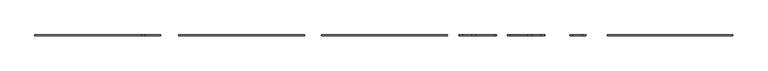
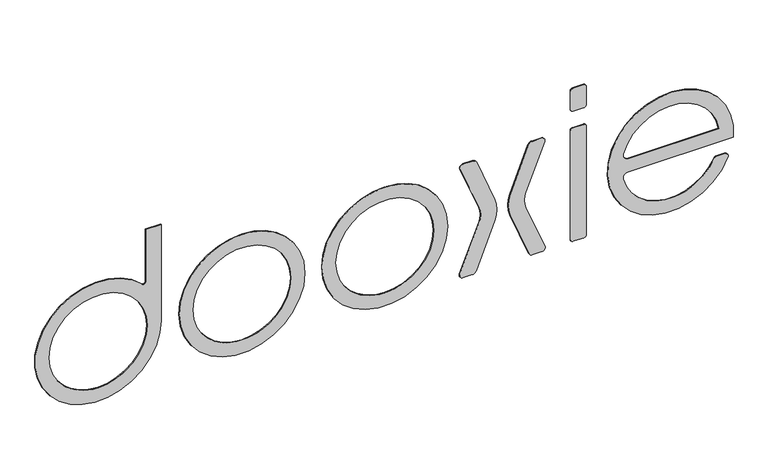
"""IFC4 building model written with IfcOpenShell, lengths in millimetres: proxy geometry."""

from ifc_helpers import new_model, si_unit, point, frame, frame_2d, origin, place, context, project, spatial, polyline, circle_curve, trimmed, segment, composite_curve, outline, extrude, source, transform, mapped, element, save


def generic_models_65ccd755(model_context):
    return source(origin(), model_context, "Body", "SweptSolid", [
        extrude(outline(composite_curve([segment(polyline([(456.6775321, 953.0453315), (1185.2763588, 953.0453315), (1185.2763588, 841.1947983), (791.8118304, 841.1947983)]), True, "CONTINUOUS"), segment(trimmed(circle_curve(frame_2d((791.8118304, 826.1947983)), 15.0), [point((791.8118304, 841.1947983))], [point((781.043133, 815.7528082))], True, "CARTESIAN"), True, "CONTINUOUS"), segment(trimmed(circle_curve(frame_2d((456.6775321, 501.2280109)), 451.8173206), [point((781.043133, 815.7528082))], [point((456.6775321, 953.0453315))], False, "CARTESIAN"), True, "CONTINUOUS")], self_intersect=False), holes=[composite_curve([segment(trimmed(circle_curve(frame_2d((456.6775321, 501.2280109)), 350.0), [point((456.6775321, 151.2280109))], [point((456.6775321, 851.2280109))], True, "CARTESIAN"), True, "CONTINUOUS"), segment(trimmed(circle_curve(frame_2d((456.6775321, 501.2280109)), 350.0), [point((456.6775321, 851.2280109))], [point((456.6775321, 151.2280109))], True, "CARTESIAN"), True, "CONTINUOUS")], self_intersect=False)]), frame((0.0, 161.9662284, 0.0), z_axis=(0.0, 1.0, 0.0), x_axis=(0.0, 0.0, 1.0)), (0.0, 0.0, 1.0), 5.0),
        extrude(outline(composite_curve([segment(trimmed(circle_curve(frame_2d((456.6775321, 1531.2280109)), 450.0), [point((456.6775321, 1081.2280109))], [point((456.6775321, 1981.2280109))], False, "CARTESIAN"), True, "CONTINUOUS"), segment(trimmed(circle_curve(frame_2d((456.6775321, 1531.2280109)), 450.0), [point((456.6775321, 1981.2280109))], [point((456.6775321, 1081.2280109))], False, "CARTESIAN"), True, "CONTINUOUS")], self_intersect=False), holes=[composite_curve([segment(trimmed(circle_curve(frame_2d((456.6775321, 1531.2280109)), 350.0), [point((456.6775321, 1181.2280109))], [point((456.6775321, 1881.2280109))], True, "CARTESIAN"), True, "CONTINUOUS"), segment(trimmed(circle_curve(frame_2d((456.6775321, 1531.2280109)), 350.0), [point((456.6775321, 1881.2280109))], [point((456.6775321, 1181.2280109))], True, "CARTESIAN"), True, "CONTINUOUS")], self_intersect=False)]), frame((0.0, 161.9662284, 0.0), z_axis=(0.0, 1.0, 0.0), x_axis=(0.0, 0.0, 1.0)), (0.0, 0.0, 1.0), 5.0),
        extrude(outline(composite_curve([segment(trimmed(circle_curve(frame_2d((456.6775321, 2553.7280109)), 450.0), [point((456.6775321, 2103.7280109))], [point((456.6775321, 3003.7280109))], False, "CARTESIAN"), True, "CONTINUOUS"), segment(trimmed(circle_curve(frame_2d((456.6775321, 2553.7280109)), 450.0), [point((456.6775321, 3003.7280109))], [point((456.6775321, 2103.7280109))], False, "CARTESIAN"), True, "CONTINUOUS")], self_intersect=False), holes=[composite_curve([segment(trimmed(circle_curve(frame_2d((456.6775321, 2553.7280109)), 350.0), [point((456.6775321, 2203.7280109))], [point((456.6775321, 2903.7280109))], True, "CARTESIAN"), True, "CONTINUOUS"), segment(trimmed(circle_curve(frame_2d((456.6775321, 2553.7280109)), 350.0), [point((456.6775321, 2903.7280109))], [point((456.6775321, 2203.7280109))], True, "CARTESIAN"), True, "CONTINUOUS")], self_intersect=False)]), frame((0.0, 161.9662284, 0.0), z_axis=(0.0, 1.0, 0.0), x_axis=(0.0, 0.0, 1.0)), (0.0, 0.0, 1.0), 5.0),
        extrude(outline(composite_curve([segment(trimmed(circle_curve(frame_2d((458.4896845, 3083.7701945)), 155.0), [point((516.4508708, 3227.5251975))], [point((400.5284982, 3227.5251975))], True, "CARTESIAN"), True, "CONTINUOUS"), segment(polyline([(400.5284982, 3227.5251975), (60.1870145, 3090.3014784)]), True, "CONTINUOUS"), segment(trimmed(circle_curve(frame_2d((50.838436, 3113.4877692)), 25.0), [point((60.1870145, 3090.3014784))], [point((25.838436, 3113.4877692))], False, "CARTESIAN"), True, "CONTINUOUS"), segment(polyline([(25.838436, 3113.4877692), (25.838436, 3179.5319197)]), True, "CONTINUOUS"), segment(trimmed(circle_curve(frame_2d((55.838436, 3179.5319197)), 30.0), [point((25.838436, 3179.5319197))], [point((44.8148495, 3207.4331838))], False, "CARTESIAN"), True, "CONTINUOUS"), segment(polyline([(44.8148495, 3207.4331838), (379.5508858, 3339.6849571)]), True, "CONTINUOUS"), segment(trimmed(circle_curve(frame_2d((458.5532559, 3139.7258975)), 215.0), [point((379.5508858, 3339.6849571))], [point((537.555626, 3339.6849571))], False, "CARTESIAN"), True, "CONTINUOUS"), segment(polyline([(537.555626, 3339.6849571), (865.9640338, 3209.9331838)]), True, "CONTINUOUS"), segment(trimmed(circle_curve(frame_2d((854.9404473, 3182.0319197)), 30.0), [point((865.9640338, 3209.9331838))], [point((884.9404473, 3182.0319197))], False, "CARTESIAN"), True, "CONTINUOUS"), segment(polyline([(884.9404473, 3182.0319197), (884.9404473, 3115.9877692)]), True, "CONTINUOUS"), segment(trimmed(circle_curve(frame_2d((859.9404473, 3115.9877692)), 25.0), [point((884.9404473, 3115.9877692))], [point((850.5918688, 3092.8014784))], False, "CARTESIAN"), True, "CONTINUOUS"), segment(polyline([(850.5918688, 3092.8014784), (516.4508708, 3227.5251975)]), True, "CONTINUOUS")], self_intersect=False)), frame((0.0, 161.9662284, 0.0), z_axis=(0.0, 1.0, 0.0), x_axis=(0.0, 0.0, 1.0)), (0.0, 0.0, 1.0), 5.0),
        extrude(outline(composite_curve([segment(polyline([(516.4508708, 3562.8614381), (850.5918688, 3697.5851572)]), True, "CONTINUOUS"), segment(trimmed(circle_curve(frame_2d((859.9404473, 3674.3988664)), 25.0), [point((850.5918688, 3697.5851572))], [point((884.9404473, 3674.3988664))], False, "CARTESIAN"), True, "CONTINUOUS"), segment(polyline([(884.9404473, 3674.3988664), (884.9404473, 3608.3547159)]), True, "CONTINUOUS"), segment(trimmed(circle_curve(frame_2d((854.9404473, 3608.3547159)), 30.0), [point((884.9404473, 3608.3547159))], [point((865.9640338, 3580.4534518))], False, "CARTESIAN"), True, "CONTINUOUS"), segment(polyline([(865.9640338, 3580.4534518), (537.555626, 3450.7016785)]), True, "CONTINUOUS"), segment(trimmed(circle_curve(frame_2d((458.5532559, 3650.6607381)), 215.0), [point((537.555626, 3450.7016785))], [point((379.5508858, 3450.7016785))], False, "CARTESIAN"), True, "CONTINUOUS"), segment(polyline([(379.5508858, 3450.7016785), (44.8148495, 3582.9534518)]), True, "CONTINUOUS"), segment(trimmed(circle_curve(frame_2d((55.838436, 3610.8547159)), 30.0), [point((44.8148495, 3582.9534518))], [point((25.838436, 3610.8547159))], False, "CARTESIAN"), True, "CONTINUOUS"), segment(polyline([(25.838436, 3610.8547159), (25.838436, 3676.8988664)]), True, "CONTINUOUS"), segment(trimmed(circle_curve(frame_2d((50.838436, 3676.8988664)), 25.0), [point((25.838436, 3676.8988664))], [point((60.1870145, 3700.0851572))], False, "CARTESIAN"), True, "CONTINUOUS"), segment(polyline([(60.1870145, 3700.0851572), (400.5284982, 3562.8614381)]), True, "CONTINUOUS"), segment(trimmed(circle_curve(frame_2d((458.4896845, 3706.6164411)), 155.0), [point((400.5284982, 3562.8614381))], [point((516.4508708, 3562.8614381))], True, "CARTESIAN"), True, "CONTINUOUS")], self_intersect=False)), frame((0.0, 161.9662284, 0.0), z_axis=(0.0, 1.0, 0.0), x_axis=(0.0, 0.0, 1.0)), (0.0, 0.0, 1.0), 5.0),
        extrude(outline(composite_curve([segment(trimmed(circle_curve(frame_2d((45.838436, 3976.0087785)), 20.0), [point((25.838436, 3976.0087785))], [point((45.838436, 3996.0087785))], False, "CARTESIAN"), True, "CONTINUOUS"), segment(polyline([(45.838436, 3996.0087785), (864.9404473, 3996.0087785)]), True, "CONTINUOUS"), segment(trimmed(circle_curve(frame_2d((864.9404473, 3976.0087785)), 20.0), [point((864.9404473, 3996.0087785))], [point((884.9404473, 3976.0087785))], False, "CARTESIAN"), True, "CONTINUOUS"), segment(polyline([(884.9404473, 3976.0087785), (884.9404473, 3902.2026605)]), True, "CONTINUOUS"), segment(trimmed(circle_curve(frame_2d((864.9404473, 3902.2026605)), 20.0), [point((884.9404473, 3902.2026605))], [point((864.9404473, 3882.2026605))], False, "CARTESIAN"), True, "CONTINUOUS"), segment(polyline([(864.9404473, 3882.2026605), (45.838436, 3882.2026605)]), True, "CONTINUOUS"), segment(trimmed(circle_curve(frame_2d((45.838436, 3902.2026605)), 20.0), [point((45.838436, 3882.2026605))], [point((25.838436, 3902.2026605))], False, "CARTESIAN"), True, "CONTINUOUS"), segment(polyline([(25.838436, 3902.2026605), (25.838436, 3976.0087785)]), True, "CONTINUOUS")], self_intersect=False)), frame((0.0, 161.9662284, 0.0), z_axis=(0.0, 1.0, 0.0), x_axis=(0.0, 0.0, 1.0)), (0.0, 0.0, 1.0), 5.0),
        extrude(outline(composite_curve([segment(trimmed(circle_curve(frame_2d((1030.838436, 3976.0087785)), 20.0), [point((1010.838436, 3976.0087785))], [point((1030.838436, 3996.0087785))], False, "CARTESIAN"), True, "CONTINUOUS"), segment(polyline([(1030.838436, 3996.0087785), (1164.9404473, 3996.0087785)]), True, "CONTINUOUS"), segment(trimmed(circle_curve(frame_2d((1164.9404473, 3976.0087785)), 20.0), [point((1164.9404473, 3996.0087785))], [point((1184.9404473, 3976.0087785))], False, "CARTESIAN"), True, "CONTINUOUS"), segment(polyline([(1184.9404473, 3976.0087785), (1184.9404473, 3902.2026605)]), True, "CONTINUOUS"), segment(trimmed(circle_curve(frame_2d((1164.9404473, 3902.2026605)), 20.0), [point((1184.9404473, 3902.2026605))], [point((1164.9404473, 3882.2026605))], False, "CARTESIAN"), True, "CONTINUOUS"), segment(polyline([(1164.9404473, 3882.2026605), (1030.838436, 3882.2026605)]), True, "CONTINUOUS"), segment(trimmed(circle_curve(frame_2d((1030.838436, 3902.2026605)), 20.0), [point((1030.838436, 3882.2026605))], [point((1010.838436, 3902.2026605))], False, "CARTESIAN"), True, "CONTINUOUS"), segment(polyline([(1010.838436, 3902.2026605), (1010.838436, 3976.0087785)]), True, "CONTINUOUS")], self_intersect=False)), frame((0.0, 161.9662284, 0.0), z_axis=(0.0, 1.0, 0.0), x_axis=(0.0, 0.0, 1.0)), (0.0, 0.0, 1.0), 5.0),
        extrude(outline(composite_curve([segment(polyline([(413.6722995, 4293.5392436), (413.6722995, 5046.6683529)]), True, "CONTINUOUS"), segment(trimmed(circle_curve(frame_2d((456.6775321, 4598.7280109)), 450.0), [point((413.6722995, 5046.6683529))], [point((273.5883353, 5009.797769))], False, "CARTESIAN"), True, "CONTINUOUS"), segment(trimmed(circle_curve(frame_2d((283.7599573, 4986.9605602)), 25.0), [point((273.5883353, 5009.797769))], [point((308.7599573, 4986.9605602))], False, "CARTESIAN"), True, "CONTINUOUS"), segment(polyline([(308.7599573, 4986.9605602), (308.7599573, 4922.2431413)]), True, "CONTINUOUS"), segment(trimmed(circle_curve(frame_2d((298.7599573, 4922.2431413)), 10.0), [point((308.7599573, 4922.2431413))], [point((303.1465566, 4913.2566099))], False, "CARTESIAN"), True, "CONTINUOUS"), segment(trimmed(circle_curve(frame_2d((456.6775321, 4598.7280109)), 350.0), [point((303.1465566, 4913.2566099))], [point((370.0050515, 4259.6293806))], True, "CARTESIAN"), True, "CONTINUOUS"), segment(trimmed(circle_curve(frame_2d((378.6722995, 4293.5392436)), 35.0), [point((370.0050515, 4259.6293806))], [point((413.6722995, 4293.5392436))], True, "CARTESIAN"), True, "CONTINUOUS")], self_intersect=False), holes=[composite_curve([segment(trimmed(circle_curve(frame_2d((456.6775321, 4598.7280109)), 350.0), [point((558.8939404, 4263.9866094))], [point((513.6722995, 4944.0562555))], True, "CARTESIAN"), True, "CONTINUOUS"), segment(polyline([(513.6722995, 4944.0562555), (513.6722995, 4297.4607495)]), True, "CONTINUOUS"), segment(trimmed(circle_curve(frame_2d((548.6722995, 4297.4607495)), 35.0), [point((513.6722995, 4297.4607495))], [point((558.8939404, 4263.9866094))], True, "CARTESIAN"), True, "CONTINUOUS")], self_intersect=False)]), frame((0.0, 161.9662284, 0.0), z_axis=(0.0, 1.0, 0.0), x_axis=(0.0, 0.0, 1.0)), (0.0, 0.0, 1.0), 5.0),
    ])


if __name__ == "__main__":
    model = new_model("IFC4")
    model_context = context("Model", 3, world=origin())
    ifc_project = project(units=[si_unit("LENGTHUNIT", "METRE", prefix="MILLI")], contexts=[model_context])
    site = spatial("IfcSite", under=ifc_project)
    building = spatial("IfcBuilding", under=site)
    placement = place(None, origin())
    generic_models_shape = generic_models_65ccd755(model_context)
    element("IfcBuildingElementProxy", 1, Name="Generic Models", at=placement, inside=building, context=model_context, shape_type="MappedRepresentation", body=[
        mapped(generic_models_shape, transform((0.0, 0.0, 0.0), x_axis=(1.0, 0.0, 0.0), y_axis=(0.0, 1.0, 0.0), z_axis=(0.0, 0.0, 1.0))),
    ])
    save(model, "model.ifc")
